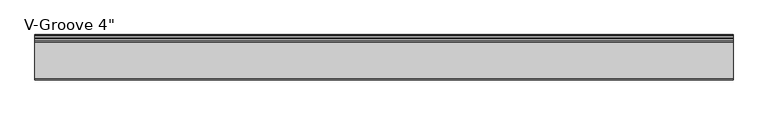
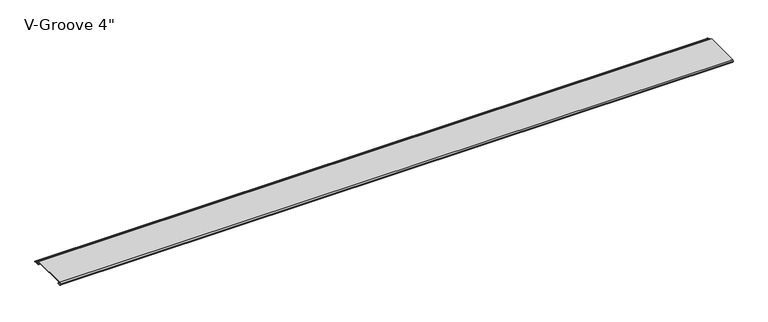
"""IFC4 building model written with IfcOpenShell, lengths in millimetres: proxy geometry."""

from ifc_helpers import new_model, si_unit, frame, origin, place, context, project, spatial, polyline, circle_curve, source, transform, mapped, element, save
from ifc_brep_helpers import plane_surface, cylinder_surface, revolved_surface, advanced_brep


def proxy_9d753d8d(model_context):
    return source(origin(), model_context, "Body", "AdvancedBrep", [
        advanced_brep(
        [(0.0, 4.8748016, 8.2677279), (0.0, 3.9297655, 8.3107178), (0.0, 1.0903749, 8.3537076), (0.0, 0.065443, 8.3537076), (0.0, 0.065443, 9.2261945), (0.0, 2.1184419, 13.2537076), (0.0, 98.9967857, 13.2537076), (0.0, 101.6, 8.1468156), (0.0, 107.4910449, 8.1468156), (0.0, 107.4738459, 6.6269129), (0.0, 103.3507651, 6.6268074), (0.0, 102.8162088, 5.7543198), (0.0, 103.9634478, 3.5037076), (0.0, 108.7480327, 3.5037076), (0.0, 109.505331, 2.8682589), (0.0, 115.2979176, 2.8682589), (0.0, 116.0552159, 3.5037076), (0.0, 117.0052159, 3.5037076), (0.0, 117.0052159, 1.8537076), (0.0, 103.0456734, 1.8537076), (0.0, 98.0348769, 11.6837076), (0.0, 4.9698231, 11.6837076), (0.0, 4.9454257, 9.4970429), (0.0, 6.3252986, 9.4327708), (0.0, 6.2190404, 4.8677279), (0.0, 2.2867276, 4.8677279), (0.0, 2.2368711, 6.1940104), (0.0, 4.5055344, 6.3177279), (0.0, 6.0740222, 6.3177279), (0.0, 6.0740222, 8.2677279), (1815.546, 4.8748016, 8.2677279), (1815.546, 6.0740222, 8.2677279), (1815.546, 6.0740222, 6.3177279), (1815.546, 4.5055344, 6.3177279), (1815.546, 2.2368711, 6.1940104), (1815.546, 2.2867276, 4.8677279), (1815.546, 6.2190404, 4.8677279), (1815.546, 6.3252986, 9.4327708), (1815.546, 4.9454257, 9.4970429), (1815.546, 4.9698231, 11.6837076), (1815.546, 98.0348769, 11.6837076), (1815.546, 103.0456734, 1.8537076), (1815.546, 117.0052159, 1.8537076), (1815.546, 117.0052159, 3.5037076), (1815.546, 116.0552159, 3.5037076), (1815.546, 115.2979176, 2.8682589), (1815.546, 109.505331, 2.8682589), (1815.546, 108.7480327, 3.5037076), (1815.546, 103.9634478, 3.5037076), (1815.546, 102.8162088, 5.7543198), (1815.546, 103.3507651, 6.6268074), (1815.546, 107.4738459, 6.6268074), (1815.546, 107.4910449, 8.1468156), (1815.546, 101.6, 8.1468156), (1815.546, 98.9967857, 13.2537076), (1815.546, 2.1184419, 13.2537076), (1815.546, 0.065443, 9.2261945), (1815.546, 0.065443, 8.3537076), (1815.546, 1.0903749, 8.3537076), (1815.546, 3.9297655, 8.3107178)],
        [
            (0, 1),
            (1, 2, circle_curve(frame((0.0, 2.4847467, 6.6596487), z_axis=(1.0, 0.0, 0.0), x_axis=(0.0, 1.0, 0.0)), 2.1941076)),
            (2, 3),
            (3, 4),
            (4, 5),
            (5, 6),
            (6, 7),
            (7, 8),
            (8, 9, circle_curve(frame((0.0, 107.4824454, 7.3868643), z_axis=(-1.0, 0.0, 0.0), x_axis=(0.0, 1.0, 0.0)), 0.76)),
            (9, 10),
            (10, 11, circle_curve(frame((0.0, 103.3507651, 6.0268074), z_axis=(1.0, 0.0, 0.0), x_axis=(0.0, 1.0, 0.0)), 0.6)),
            (11, 12),
            (12, 13),
            (13, 14),
            (14, 15),
            (15, 16),
            (16, 17),
            (17, 18, circle_curve(frame((0.0, 117.0052159, 2.6787076), z_axis=(-1.0, 0.0, 0.0), x_axis=(0.0, 1.0, 0.0)), 0.825)),
            (18, 19),
            (19, 20),
            (20, 21),
            (21, 22, circle_curve(frame((0.0, 4.9836004, 10.5900854), z_axis=(1.0, 0.0, 0.0), x_axis=(0.0, 1.0, 0.0)), 1.093709)),
            (22, 23),
            (23, 24, circle_curve(frame((0.0, 6.2190404, 7.151486), z_axis=(-1.0, 0.0, 0.0), x_axis=(0.0, 1.0, 0.0)), 2.2837581)),
            (24, 25),
            (25, 26, circle_curve(frame((0.0, 2.2867276, 5.5318063), z_axis=(-1.0, 0.0, 0.0), x_axis=(0.0, 1.0, 0.0)), 0.6640784)),
            (26, 27),
            (27, 28),
            (28, 29, circle_curve(frame((0.0, 6.0740222, 7.2927279), z_axis=(1.0, 0.0, 0.0), x_axis=(0.0, 1.0, 0.0)), 0.975)),
            (29, 0),
            (30, 31),
            (31, 32, circle_curve(frame((1815.546, 6.0740222, 7.2927279), z_axis=(-1.0, 0.0, 0.0), x_axis=(0.0, 1.0, 0.0)), 0.975)),
            (32, 33),
            (33, 34),
            (34, 35, circle_curve(frame((1815.546, 2.2867276, 5.5318063), z_axis=(1.0, 0.0, 0.0), x_axis=(0.0, 1.0, 0.0)), 0.6640784)),
            (35, 36),
            (36, 37, circle_curve(frame((1815.546, 6.2190404, 7.151486), z_axis=(1.0, 0.0, 0.0), x_axis=(0.0, 1.0, 0.0)), 2.2837581)),
            (37, 38),
            (38, 39, circle_curve(frame((1815.546, 4.9836004, 10.5900854), z_axis=(-1.0, 0.0, 0.0), x_axis=(0.0, 1.0, 0.0)), 1.093709)),
            (39, 40),
            (40, 41),
            (41, 42),
            (42, 43, circle_curve(frame((1815.546, 117.0052159, 2.6787076), z_axis=(1.0, 0.0, 0.0), x_axis=(0.0, 1.0, 0.0)), 0.825)),
            (43, 44),
            (44, 45),
            (45, 46),
            (46, 47),
            (47, 48),
            (48, 49),
            (49, 50, circle_curve(frame((1815.546, 103.3507651, 6.0268074), z_axis=(-1.0, 0.0, 0.0), x_axis=(0.0, 1.0, 0.0)), 0.6)),
            (50, 51),
            (51, 52, circle_curve(frame((1815.546, 107.4824454, 7.3868643), z_axis=(1.0, 0.0, 0.0), x_axis=(0.0, 1.0, 0.0)), 0.76)),
            (52, 53),
            (53, 54),
            (54, 55),
            (55, 56),
            (56, 57),
            (57, 58),
            (58, 59, circle_curve(frame((1815.546, 2.4847467, 6.6596487), z_axis=(-1.0, 0.0, 0.0), x_axis=(0.0, 1.0, 0.0)), 2.1941076)),
            (59, 30),
            (0, 30),
            (59, 1),
            (58, 2),
            (57, 3),
            (56, 4),
            (55, 5),
            (54, 6),
            (53, 7),
            (52, 8),
            (51, 9),
            (50, 10),
            (49, 11),
            (48, 12),
            (47, 13),
            (46, 14),
            (45, 15),
            (44, 16),
            (43, 17),
            (42, 18),
            (41, 19),
            (40, 20),
            (39, 21),
            (38, 22),
            (37, 23),
            (36, 24),
            (35, 25),
            (34, 26),
            (33, 27),
            (32, 28),
            (31, 29),
        ],
        [
            plane_surface(frame((0.0, 0.0, 0.0), z_axis=(-1.0, 0.0, 0.0), x_axis=(0.0, 0.0, 1.0))),
            plane_surface(frame((1815.546, 0.0, 0.0), z_axis=(1.0, 0.0, 0.0), x_axis=(0.0, 0.0, 1.0))),
            plane_surface(frame((0.0, 4.8748016, 8.2677279), z_axis=(0.0, -0.045443199353729875, -0.9989669241934376), x_axis=(1.0, 0.0, 0.0))),
            revolved_surface(polyline([(1815.546, 4.6788543, 6.6596487), (0.0, 4.6788543, 6.6596487)]), (0.0, 2.4847467, 6.6596487), (1.0, 0.0, 0.0)),
            plane_surface(frame((0.0, 1.0903749, 8.3537076), z_axis=(0.0, 0.0, -1.0), x_axis=(1.0, 0.0, 0.0))),
            plane_surface(frame((0.0, 0.065443, 8.3537076), z_axis=(0.0, -1.0, 0.0), x_axis=(1.0, 0.0, 0.0))),
            plane_surface(frame((0.0, 0.065443, 9.2261945), z_axis=(0.0, -0.8909279044420536, 0.4541447666620095), x_axis=(1.0, 0.0, 0.0))),
            plane_surface(frame((0.0, 2.1184419, 13.2537076), z_axis=(0.0, 0.0, 1.0), x_axis=(1.0, 0.0, 0.0))),
            plane_surface(frame((0.0, 98.9967857, 13.2537076), z_axis=(0.0, 0.8909272743280254, 0.45414600279913886), x_axis=(1.0, 0.0, 0.0))),
            plane_surface(frame((0.0, 101.6, 8.1468156), z_axis=(0.0, 0.0, 1.0), x_axis=(1.0, 0.0, 0.0))),
            cylinder_surface(frame((0.0, 107.4824454, 7.3868643), z_axis=(-1.0, 0.0, 0.0), x_axis=(0.0, 1.0, 0.0)), 0.76),
            plane_surface(frame((0.0, 107.4738459, 6.6268074), z_axis=(0.0, 0.0, -1.0), x_axis=(1.0, 0.0, 0.0))),
            revolved_surface(polyline([(1815.546, 103.9507651, 6.0268074), (0.0, 103.9507651, 6.0268074)]), (0.0, 103.3507651, 6.0268074), (1.0, 0.0, 0.0)),
            plane_surface(frame((0.0, 102.8162088, 5.7543198), z_axis=(0.0, 0.890927274374244, 0.4541460027084689), x_axis=(1.0, 0.0, 0.0))),
            plane_surface(frame((0.0, 103.9634478, 3.5037076), z_axis=(0.0, 0.0, 1.0), x_axis=(1.0, 0.0, 0.0))),
            plane_surface(frame((0.0, 108.7480327, 3.5037076), z_axis=(0.0, 0.6427876096865576, 0.7660444431189628), x_axis=(1.0, 0.0, 0.0))),
            plane_surface(frame((0.0, 109.505331, 2.8682589), z_axis=(0.0, 0.0, 1.0), x_axis=(1.0, 0.0, 0.0))),
            plane_surface(frame((0.0, 115.2979176, 2.8682589), z_axis=(0.0, -0.6427876096865565, 0.7660444431189637), x_axis=(1.0, 0.0, 0.0))),
            plane_surface(frame((0.0, 116.0552159, 3.5037076), z_axis=(0.0, 0.0, 1.0), x_axis=(1.0, 0.0, 0.0))),
            cylinder_surface(frame((0.0, 117.0052159, 2.6787076), z_axis=(-1.0, 0.0, 0.0), x_axis=(0.0, 1.0, 0.0)), 0.825),
            plane_surface(frame((0.0, 117.0052159, 1.8537076), z_axis=(0.0, 0.0, -1.0), x_axis=(1.0, 0.0, 0.0))),
            plane_surface(frame((0.0, 103.0456734, 1.8537076), z_axis=(0.0, -0.890927274327636, -0.4541460027999029), x_axis=(1.0, 0.0, 0.0))),
            plane_surface(frame((0.0, 98.0348769, 11.6837076), z_axis=(0.0, 0.0, -1.0), x_axis=(1.0, 0.0, 0.0))),
            revolved_surface(polyline([(1815.546, 6.077309400000001, 10.5900854), (0.0, 6.077309400000001, 10.5900854)]), (0.0, 4.9836004, 10.5900854), (1.0, 0.0, 0.0)),
            plane_surface(frame((0.0, 4.9454257, 9.4970429), z_axis=(0.0, 0.046527768163272164, 0.9989169969470661), x_axis=(1.0, 0.0, 0.0))),
            cylinder_surface(frame((0.0, 6.2190404, 7.151486), z_axis=(-1.0, 0.0, 0.0), x_axis=(0.0, 1.0, 0.0)), 2.2837581),
            plane_surface(frame((0.0, 6.2190404, 4.8677279), z_axis=(0.0, 0.0, -1.0), x_axis=(1.0, 0.0, 0.0))),
            cylinder_surface(frame((0.0, 2.2867276, 5.5318063), z_axis=(-1.0, 0.0, 0.0), x_axis=(0.0, 1.0, 0.0)), 0.6640784),
            plane_surface(frame((0.0, 2.2368711, 6.1940104), z_axis=(0.0, -0.054452281472051646, 0.9985163739481133), x_axis=(1.0, 0.0, 0.0))),
            plane_surface(frame((0.0, 4.5055344, 6.3177279), z_axis=(0.0, 0.0, 1.0), x_axis=(1.0, 0.0, 0.0))),
            revolved_surface(polyline([(1815.546, 7.0490222, 7.2927279), (0.0, 7.0490222, 7.2927279)]), (0.0, 6.0740222, 7.2927279), (1.0, 0.0, 0.0)),
            plane_surface(frame((0.0, 6.0740222, 8.2677279), z_axis=(0.0, 0.0, -1.0), x_axis=(1.0, 0.0, 0.0))),
        ],
        [
            (0, [[1, 2, 3, 4, 5, 6, 7, 8, 9, 10, 11, 12, 13, 14, 15, 16, 17, 18, 19, 20, 21, 22, 23, 24, 25, 26, 27, 28, 29, 30]]),
            (1, [[31, 32, 33, 34, 35, 36, 37, 38, 39, 40, 41, 42, 43, 44, 45, 46, 47, 48, 49, 50, 51, 52, 53, 54, 55, 56, 57, 58, 59, 60]]),
            (2, [[-1, 61, -60, 62]]),
            (3, [[-2, -62, -59, 63]]),
            (4, [[-3, -63, -58, 64]]),
            (5, [[-4, -64, -57, 65]]),
            (6, [[-5, -65, -56, 66]]),
            (7, [[-6, -66, -55, 67]]),
            (8, [[-7, -67, -54, 68]]),
            (9, [[-8, -68, -53, 69]]),
            (10, [[-9, -69, -52, 70]]),
            (11, [[-10, -70, -51, 71]]),
            (12, [[-11, -71, -50, 72]]),
            (13, [[-12, -72, -49, 73]]),
            (14, [[-13, -73, -48, 74]]),
            (15, [[-14, -74, -47, 75]]),
            (16, [[-15, -75, -46, 76]]),
            (17, [[-16, -76, -45, 77]]),
            (18, [[-17, -77, -44, 78]]),
            (19, [[-18, -78, -43, 79]]),
            (20, [[-19, -79, -42, 80]]),
            (21, [[-20, -80, -41, 81]]),
            (22, [[-21, -81, -40, 82]]),
            (23, [[-22, -82, -39, 83]]),
            (24, [[-23, -83, -38, 84]]),
            (25, [[-24, -84, -37, 85]]),
            (26, [[-25, -85, -36, 86]]),
            (27, [[-26, -86, -35, 87]]),
            (28, [[-27, -87, -34, 88]]),
            (29, [[-28, -88, -33, 89]]),
            (30, [[-29, -89, -32, 90]]),
            (31, [[-30, -90, -31, -61]]),
        ],
    ),
    ])


if __name__ == "__main__":
    model = new_model("IFC4")
    model_context = context("Model", 3, world=origin())
    ifc_project = project(units=[si_unit("LENGTHUNIT", "METRE", prefix="MILLI")], contexts=[model_context])
    site = spatial("IfcSite", under=ifc_project)
    building = spatial("IfcBuilding", under=site)
    placement = place(None, origin())
    proxy_shape = proxy_9d753d8d(model_context)
    element("IfcBuildingElementProxy", 1, Name="V-Groove 4\"", ObjectType="V-Groove 4\"", at=placement, inside=building, context=model_context, shape_type="MappedRepresentation", body=[
        mapped(proxy_shape, transform((0.0, 0.0, 0.0), x_axis=(1.0, 0.0, 0.0), y_axis=(0.0, 1.0, 0.0), z_axis=(0.0, 0.0, 1.0))),
    ])
    save(model, "model.ifc")
